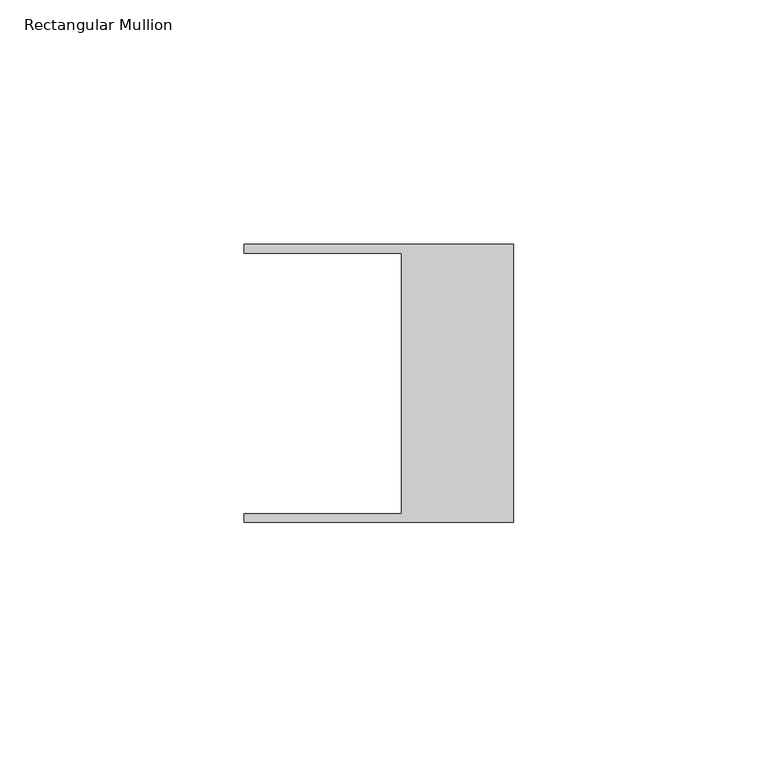
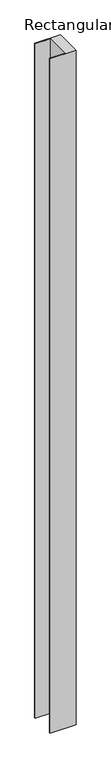
"""IFC4 building model written with IfcOpenShell, lengths in millimetres: member geometry, Rectangular Mullion."""

from ifc_helpers import new_model, si_unit, frame, origin, place, context, project, spatial, polyline, outline, extrude, source, transform, mapped, element, save


def rectangular_mullion_aa3cb5af(model_context):
    return source(origin(), model_context, "Body", "SweptSolid", [
        extrude(outline(polyline([(-55.118, -26.67), (-22.86, -26.67), (-22.86, 26.67), (-55.118, 26.67), (-55.118, 28.448), (0.0, 28.448), (0.0, -28.448), (-55.118, -28.448), (-55.118, -26.67)])), frame((0.0, 0.0, -1515.7958), z_axis=(0.0, 0.0, 1.0), x_axis=(1.0, 0.0, 0.0)), (0.0, 0.0, 1.0), 1515.7958),
    ])


if __name__ == "__main__":
    model = new_model("IFC4")
    model_context = context("Model", 3, world=origin())
    ifc_project = project(units=[si_unit("LENGTHUNIT", "METRE", prefix="MILLI")], contexts=[model_context])
    site = spatial("IfcSite", under=ifc_project)
    building = spatial("IfcBuilding", under=site)
    placement = place(None, origin())
    rectangular_mullion_shape = rectangular_mullion_aa3cb5af(model_context)
    element("IfcMember", 1, ObjectType="Rectangular Mullion", at=placement, inside=building, context=model_context, shape_type="MappedRepresentation", body=[
        mapped(rectangular_mullion_shape, transform((0.0, 0.0, 0.0), x_axis=(1.0, 0.0, 0.0), y_axis=(0.0, 1.0, 0.0), z_axis=(0.0, 0.0, 1.0))),
    ])
    save(model, "model.ifc")
